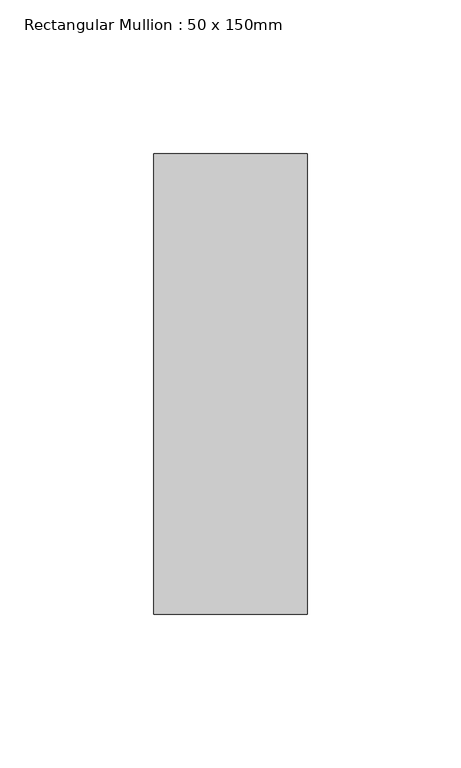
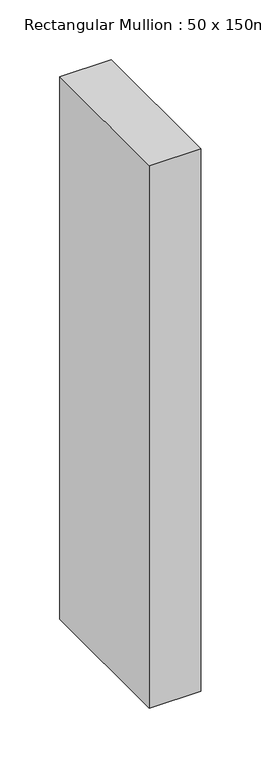
"""IFC4 building model written with IfcOpenShell, lengths in millimetres: member geometry, Rectangular Mullion : 50 x 150mm."""

from ifc_helpers import new_model, si_unit, frame, origin, place, context, project, spatial, polyline, outline, extrude, source, transform, mapped, element, save


def rectangular_mullion_50_x_150mm_a8de634a(model_context):
    return source(origin(), model_context, "Body", "SweptSolid", [
        extrude(outline(polyline([(25.0, 75.0), (25.0, -75.0), (-25.0, -75.0), (-25.0, 75.0), (25.0, 75.0)])), frame((0.0, 0.0, -555.0), z_axis=(0.0, 0.0, 1.0), x_axis=(1.0, 0.0, 0.0)), (0.0, 0.0, 1.0), 555.0),
    ])


if __name__ == "__main__":
    model = new_model("IFC4")
    model_context = context("Model", 3, world=origin())
    ifc_project = project(units=[si_unit("LENGTHUNIT", "METRE", prefix="MILLI")], contexts=[model_context])
    site = spatial("IfcSite", under=ifc_project)
    building = spatial("IfcBuilding", under=site)
    placement = place(None, origin())
    rectangular_mullion_50_x_150mm_shape = rectangular_mullion_50_x_150mm_a8de634a(model_context)
    element("IfcMember", 1, ObjectType="Rectangular Mullion : 50 x 150mm", at=placement, inside=building, context=model_context, shape_type="MappedRepresentation", body=[
        mapped(rectangular_mullion_50_x_150mm_shape, transform((0.0, 0.0, 0.0), x_axis=(1.0, 0.0, 0.0), y_axis=(0.0, 1.0, 0.0), z_axis=(0.0, 0.0, 1.0))),
    ])
    save(model, "model.ifc")
